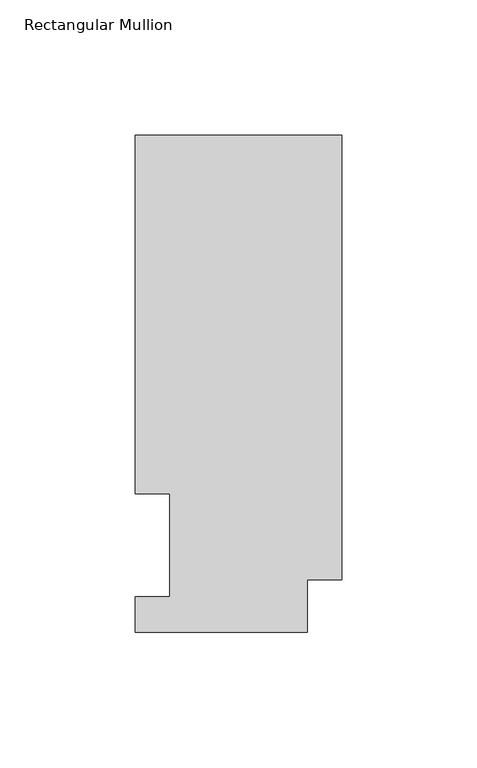
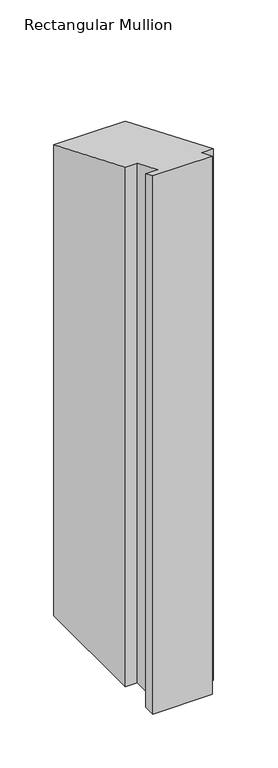
"""IFC4 building model written with IfcOpenShell, lengths in millimetres: member geometry, Rectangular Mullion."""

from ifc_helpers import new_model, si_unit, origin, place, context, project, spatial, faceted_brep, source, transform, mapped, element, save


def rectangular_mullion_480c271d(model_context):
    return source(origin(), model_context, "Body", "Brep", [
        faceted_brep([(0.0, 183.6554938, -609.587333), (0.0, 19.5460937, -609.587333), (-12.7, 19.5460937, -609.587333), (-12.7, 0.0134937, -609.587333), (-76.2000004, 0.0134937, -609.587333), (-76.2000004, 13.1960937, -609.587333), (-63.4943324, 13.1960937, -609.587333), (-63.4943324, 51.2960938, -609.587333), (-76.2000004, 51.2960938, -609.587333), (-76.2000004, 183.6554938, -609.587333), (0.0, 183.6554938, -76.0725963), (0.0, 19.5460937, -8.0962571), (-12.7, 19.5460937, -8.0962571), (-12.7, 0.0134937, -0.0055893), (-76.2000004, 0.0134937, -0.0055893), (-76.2000004, 13.1960937, -5.466001), (-63.4943324, 13.1960937, -5.466001), (-63.4943324, 51.2960938, -21.2475377), (-76.2000004, 51.2960938, -21.2475377), (-76.2000004, 183.6554938, -76.0725963)], [[[0, 1, 2, 3, 4, 5, 6, 7, 8, 9]], [[10, 11, 1, 0]], [[11, 12, 2, 1]], [[12, 13, 3, 2]], [[13, 14, 4, 3]], [[14, 15, 5, 4]], [[15, 16, 6, 5]], [[16, 17, 7, 6]], [[17, 18, 8, 7]], [[18, 19, 9, 8]], [[19, 10, 0, 9]], [[10, 19, 18, 17, 16, 15, 14, 13, 12, 11]]]),
    ])


if __name__ == "__main__":
    model = new_model("IFC4")
    model_context = context("Model", 3, world=origin())
    ifc_project = project(units=[si_unit("LENGTHUNIT", "METRE", prefix="MILLI")], contexts=[model_context])
    site = spatial("IfcSite", under=ifc_project)
    building = spatial("IfcBuilding", under=site)
    placement = place(None, origin())
    rectangular_mullion_shape = rectangular_mullion_480c271d(model_context)
    element("IfcMember", 1, ObjectType="Rectangular Mullion", at=placement, inside=building, context=model_context, shape_type="MappedRepresentation", body=[
        mapped(rectangular_mullion_shape, transform((0.0, 0.0, 0.0), x_axis=(1.0, 0.0, 0.0), y_axis=(0.0, 1.0, 0.0), z_axis=(0.0, 0.0, 1.0))),
    ])
    save(model, "model.ifc")
